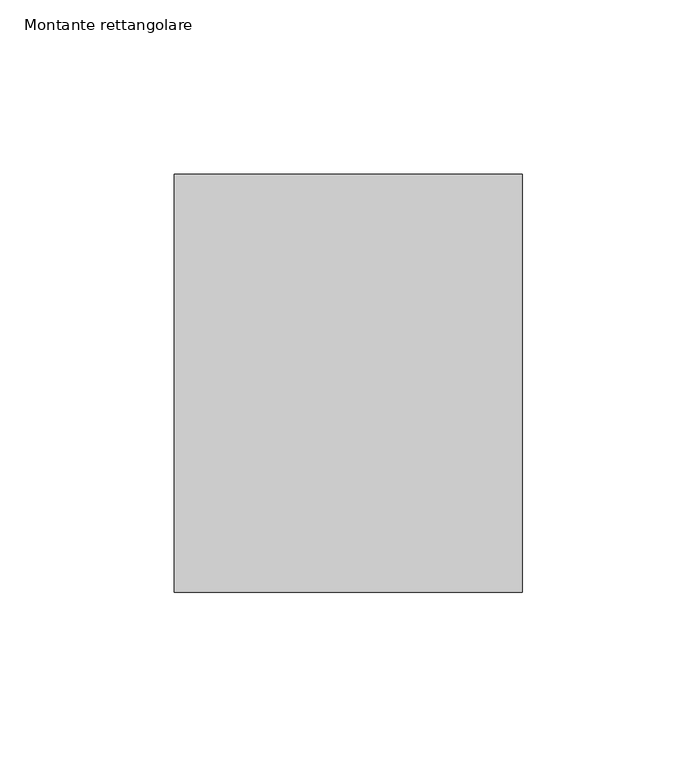
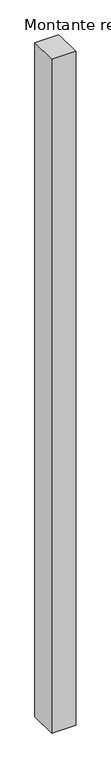
"""IFC4 building model written with IfcOpenShell, lengths in millimetres: member geometry, Montante rettangolare."""

from ifc_helpers import new_model, si_unit, frame, origin, place, context, project, spatial, polyline, outline, extrude, source, transform, mapped, element, save


def montante_rettangolare_2ae73da9(model_context):
    return source(origin(), model_context, "Body", "SweptSolid", [
        extrude(outline(polyline([(50.0, 60.0), (50.0, -60.0), (-50.0, -60.0), (-50.0, 60.0), (50.0, 60.0)])), frame((0.0, 0.0, -2960.0), z_axis=(0.0, 0.0, 1.0), x_axis=(1.0, 0.0, 0.0)), (0.0, 0.0, 1.0), 2960.0),
    ])


if __name__ == "__main__":
    model = new_model("IFC4")
    model_context = context("Model", 3, world=origin())
    ifc_project = project(units=[si_unit("LENGTHUNIT", "METRE", prefix="MILLI")], contexts=[model_context])
    site = spatial("IfcSite", under=ifc_project)
    building = spatial("IfcBuilding", under=site)
    placement = place(None, origin())
    montante_rettangolare_shape = montante_rettangolare_2ae73da9(model_context)
    element("IfcMember", 1, ObjectType="Montante rettangolare", at=placement, inside=building, context=model_context, shape_type="MappedRepresentation", body=[
        mapped(montante_rettangolare_shape, transform((0.0, 0.0, 0.0), x_axis=(1.0, 0.0, 0.0), y_axis=(0.0, 1.0, 0.0), z_axis=(0.0, 0.0, 1.0))),
    ])
    save(model, "model.ifc")
